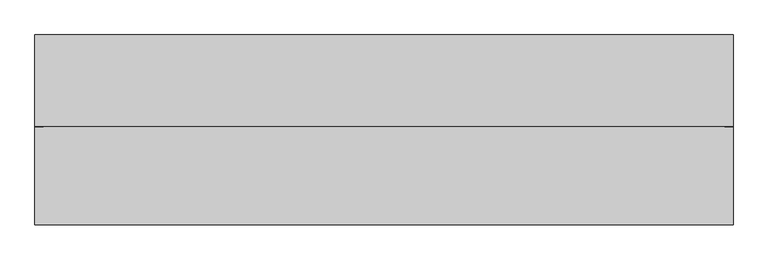
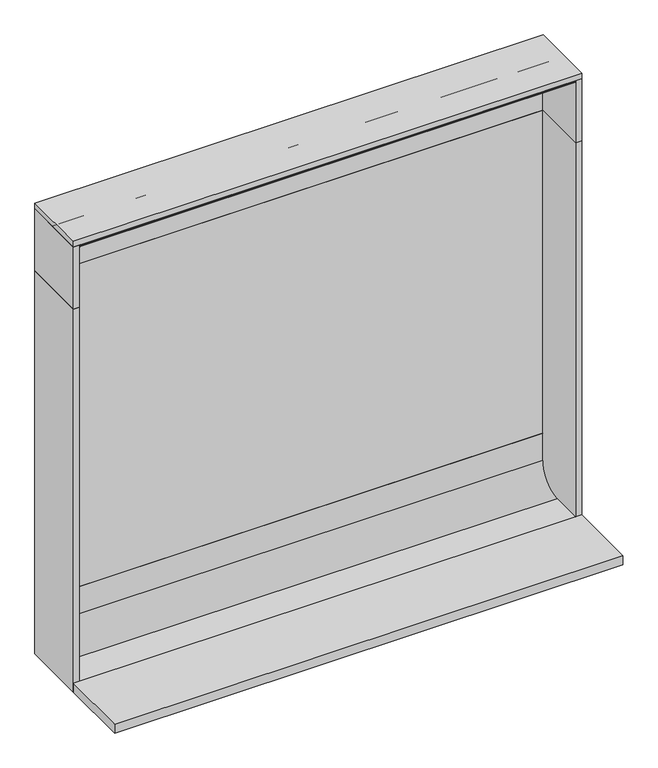
"""IFC4 building model written with IfcOpenShell, lengths in millimetres: furniture geometry."""

from ifc_helpers import new_model, si_unit, point, frame, frame_2d, origin, origin_with_axes, place, context, project, spatial, polyline, circle_curve, trimmed, segment, composite_curve, outline, extrude, source, transform, mapped, element, save


def furniture_1eaaa988(model_context):
    return source(origin(), model_context, "Body", "SweptSolid", [
        extrude(outline(polyline([(-800.0, -329.499936), (-800.0, -103.9707071), (800.0, -103.9707071), (800.0, -329.499936), (-800.0, -329.499936)])), origin_with_axes(), (0.0, 0.0, 1.0), 29.9661457),
        extrude(outline(polyline([(-781.0, 105.5000641), (781.0, 105.5000641), (781.0, 86.5000641), (-781.0, 86.5000641), (-781.0, 105.5000641)])), frame((0.0, 0.0, 1275.0475581), z_axis=(0.0, 0.0, 1.0), x_axis=(1.0, 0.0, 0.0)), (0.0, 0.0, 1.0), 205.9524263),
        extrude(outline(polyline([(781.0, -104.4999357), (781.0, 105.5000641), (800.0, 105.5000641), (800.0, -104.4999357), (781.0, -104.4999357)])), frame((0.0, 0.0, 1275.0475581), z_axis=(0.0, 0.0, 1.0), x_axis=(1.0, 0.0, 0.0)), (0.0, 0.0, 1.0), 205.9524263),
        extrude(outline(polyline([(-781.0, 105.5000641), (-781.0, -104.4999357), (-800.0, -104.4999357), (-800.0, 105.5000641), (-781.0, 105.5000641)])), frame((0.0, 0.0, 1275.0475581), z_axis=(0.0, 0.0, 1.0), x_axis=(1.0, 0.0, 0.0)), (0.0, 0.0, 1.0), 205.9524263),
        extrude(outline(composite_curve([segment(polyline([(-70.8242367, 1464.9240435), (-103.2820098, 1475.5565142)]), True, "CONTINUOUS"), segment(trimmed(circle_curve(frame_2d((-102.9707083, 1476.5068254)), 1.0), [point((-103.2820098, 1475.5565142))], [point((-103.9707083, 1476.5068254))], False, "CARTESIAN"), True, "CONTINUOUS"), segment(polyline([(-103.9707083, 1476.5068254), (-103.9707083, 1479.9999844)]), True, "CONTINUOUS"), segment(trimmed(circle_curve(frame_2d((-102.9707083, 1479.9999844)), 1.0), [point((-103.9707083, 1479.9999844))], [point((-102.9707083, 1480.9999844))], False, "CARTESIAN"), True, "CONTINUOUS"), segment(polyline([(-102.9707083, 1480.9999844), (-68.9470552, 1480.9999844), (-69.4701882, 1465.8700826)]), True, "CONTINUOUS"), segment(trimmed(circle_curve(frame_2d((-70.5026406, 1465.9057808)), 1.0330693), [point((-69.4701882, 1465.8700826))], [point((-70.8242367, 1464.9240435))], False, "CARTESIAN"), True, "CONTINUOUS")], self_intersect=False)), frame((-781.0, 0.0, 0.0), z_axis=(1.0, 0.0, 0.0), x_axis=(0.0, 1.0, 0.0)), (0.0, 0.0, 1.0), 1562.0),
        extrude(outline(composite_curve([segment(trimmed(circle_curve(frame_2d((-4.9707071, 1390.9999844)), 90.0), [point((-4.9707071, 1480.9999844))], [point((85.0292929, 1390.9999844))], False, "CARTESIAN"), True, "CONTINUOUS"), segment(polyline([(85.0292929, 1390.9999844), (85.0292929, 1275.0475581), (75.0292929, 1275.0475581), (75.0292929, 1390.9999844)]), True, "CONTINUOUS"), segment(trimmed(circle_curve(frame_2d((-4.9707071, 1390.9999844)), 80.0), [point((75.0292929, 1390.9999844))], [point((-4.9707071, 1470.9999844))], True, "CARTESIAN"), True, "CONTINUOUS"), segment(polyline([(-4.9707071, 1470.9999844), (-86.5415651, 1470.9999844), (-86.5415651, 1480.9999844), (-4.9707071, 1480.9999844)]), True, "CONTINUOUS")], self_intersect=False)), frame((-781.0, 0.0, 0.0), z_axis=(1.0, 0.0, 0.0), x_axis=(0.0, 1.0, 0.0)), (0.0, 0.0, 1.0), 1562.0),
        extrude(outline(polyline([(781.0, 85.0292929), (781.0, 75.0292929), (-781.0, 75.0292929), (-781.0, 85.0292929), (781.0, 85.0292929)])), frame((0.0, 0.0, 200.0), z_axis=(0.0, 0.0, 1.0), x_axis=(1.0, 0.0, 0.0)), (0.0, 0.0, 1.0), 1075.0475581),
        extrude(outline(composite_curve([segment(trimmed(circle_curve(frame_2d((-4.9707071, 109.9661457)), 80.0), [point((-4.9707071, 29.9661457))], [point((75.0292929, 109.9661457))], True, "CARTESIAN"), True, "CONTINUOUS"), segment(polyline([(75.0292929, 109.9661457), (75.0292929, 200.0), (85.0292929, 200.0), (85.0292929, 109.468557)]), True, "CONTINUOUS"), segment(trimmed(circle_curve(frame_2d((-4.9707071, 109.468557)), 90.0), [point((85.0292929, 109.468557))], [point((-4.9707071, 19.468557))], False, "CARTESIAN"), True, "CONTINUOUS"), segment(polyline([(-4.9707071, 19.468557), (-104.4999357, 19.468557), (-104.4999357, 29.9661457), (-4.9707071, 29.9661457)]), True, "CONTINUOUS")], self_intersect=False)), frame((-781.0, 0.0, 0.0), z_axis=(1.0, 0.0, 0.0), x_axis=(0.0, 1.0, 0.0)), (0.0, 0.0, 1.0), 1562.0),
        extrude(outline(polyline([(-781.0, 105.5000641), (781.0, 105.5000641), (781.0, 86.5000641), (-781.0, 86.5000641), (-781.0, 105.5000641)])), origin_with_axes(), (0.0, 0.0, 1.0), 1275.0475581),
        extrude(outline(polyline([(800.0, 105.5000641), (800.0, -103.9707071), (-800.0, -103.9707071), (-800.0, 105.5000641), (800.0, 105.5000641)])), frame((0.0, 0.0, 1480.9999844), z_axis=(0.0, 0.0, 1.0), x_axis=(1.0, 0.0, 0.0)), (0.0, 0.0, 1.0), 19.0000156),
        extrude(outline(polyline([(781.0, -104.4999357), (781.0, 105.5000641), (800.0, 105.5000641), (800.0, -104.4999357), (781.0, -104.4999357)])), origin_with_axes(), (0.0, 0.0, 1.0), 1275.0475581),
        extrude(outline(polyline([(-781.0, 105.5000641), (-781.0, -104.4999357), (-800.0, -104.4999357), (-800.0, 105.5000641), (-781.0, 105.5000641)])), origin_with_axes(), (0.0, 0.0, 1.0), 1275.0475581),
    ])


if __name__ == "__main__":
    model = new_model("IFC4")
    model_context = context("Model", 3, world=origin())
    ifc_project = project(units=[si_unit("LENGTHUNIT", "METRE", prefix="MILLI")], contexts=[model_context])
    site = spatial("IfcSite", under=ifc_project)
    building = spatial("IfcBuilding", under=site)
    placement = place(None, origin())
    furniture_shape = furniture_1eaaa988(model_context)
    element("IfcFurniture", 1, at=placement, inside=building, context=model_context, shape_type="MappedRepresentation", body=[
        mapped(furniture_shape, transform((0.0, 0.0, 0.0), x_axis=(1.0, 0.0, 0.0), y_axis=(0.0, 1.0, 0.0), z_axis=(0.0, 0.0, 1.0))),
    ])
    save(model, "model.ifc")
